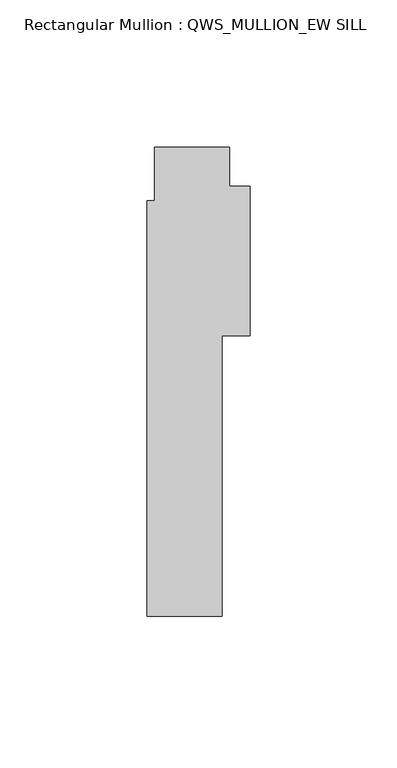
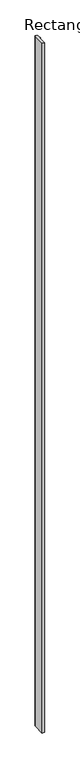
"""IFC4 building model written with IfcOpenShell, lengths in millimetres: member geometry, Rectangular Mullion : QWS_MULLION_EW SILL."""

from ifc_helpers import new_model, si_unit, frame, origin, place, context, project, spatial, polyline, outline, extrude, source, transform, mapped, element, save


def rectangular_mullion_qws_mullion_ew_sill_b4b38639(model_context):
    return source(origin(), model_context, "Body", "SweptSolid", [
        extrude(outline(polyline([(-9.525, -88.9), (-34.9249494, -88.9), (-34.9249494, 52.0998485), (-32.3972498, 52.0998485), (-32.3972498, 70.2579067), (-6.9972498, 70.2579067), (-6.9972498, 57.085584), (0.0, 57.085584), (0.0, 6.285584), (-9.525, 6.285584), (-9.525, -88.9)])), frame((0.0, 0.0, -8914.4770724), z_axis=(0.0, 0.0, 1.0), x_axis=(1.0, 0.0, 0.0)), (0.0, 0.0, 1.0), 8914.4770724),
    ])


if __name__ == "__main__":
    model = new_model("IFC4")
    model_context = context("Model", 3, world=origin())
    ifc_project = project(units=[si_unit("LENGTHUNIT", "METRE", prefix="MILLI")], contexts=[model_context])
    site = spatial("IfcSite", under=ifc_project)
    building = spatial("IfcBuilding", under=site)
    placement = place(None, origin())
    rectangular_mullion_qws_mullion_ew_sill_shape = rectangular_mullion_qws_mullion_ew_sill_b4b38639(model_context)
    element("IfcMember", 1, ObjectType="Rectangular Mullion : QWS_MULLION_EW SILL", at=placement, inside=building, context=model_context, shape_type="MappedRepresentation", body=[
        mapped(rectangular_mullion_qws_mullion_ew_sill_shape, transform((0.0, 0.0, 0.0), x_axis=(1.0, 0.0, 0.0), y_axis=(0.0, 1.0, 0.0), z_axis=(0.0, 0.0, 1.0))),
    ])
    save(model, "model.ifc")
